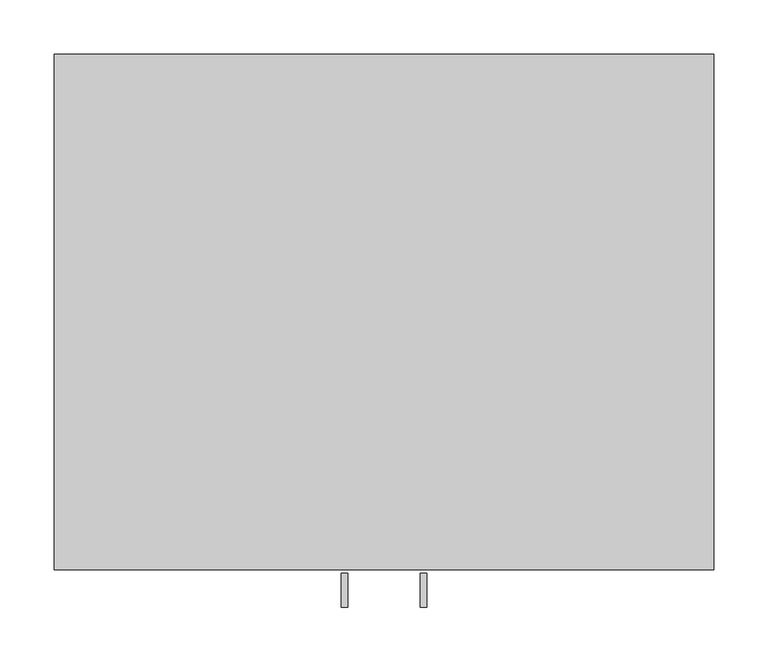
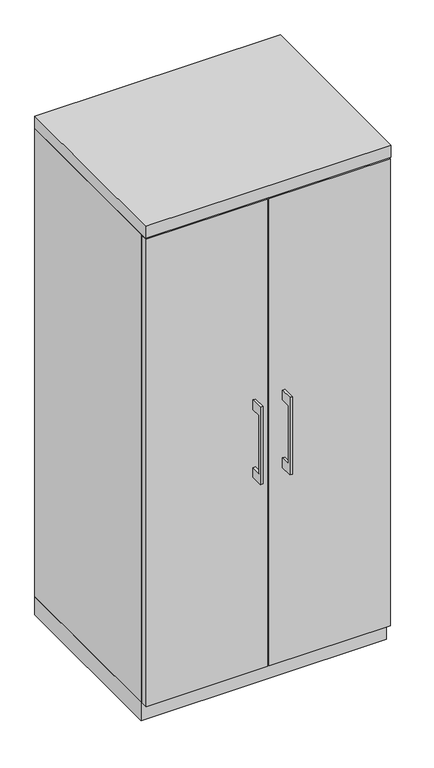
"""IFC4 building model written with IfcOpenShell, lengths in millimetres: furniture geometry."""

from ifc_helpers import new_model, si_unit, frame, origin, origin_with_axes, place, context, project, spatial, polyline, outline, extrude, source, transform, mapped, element, save


def furniture_4cf9cf71(model_context):
    return source(origin(), model_context, "Body", "SweptSolid", [
        extrude(outline(polyline([(-479.425, 736.6), (-504.8249758, 736.6), (-504.8249758, 584.2), (-479.425, 584.2), (-479.425, 558.8), (-511.1749879, 558.8), (-511.1749879, 762.0), (-479.425, 762.0), (-479.425, 736.6)])), frame((33.3375121, 0.0, 0.0), z_axis=(1.0, 0.0, 0.0), x_axis=(0.0, 1.0, 0.0)), (0.0, 0.0, 1.0), 6.3499758),
        extrude(outline(polyline([(1.5875, -476.25), (1.5875, -457.2), (303.2125, -457.2), (303.2125, -476.25), (1.5875, -476.25)])), frame((0.0, 0.0, 47.625), z_axis=(0.0, 0.0, 1.0), x_axis=(1.0, 0.0, 0.0)), (0.0, 0.0, 1.0), 1225.55),
        extrude(outline(polyline([(-479.425, 736.6), (-504.8249758, 736.6), (-504.8249758, 584.2), (-479.425, 584.2), (-479.425, 558.8), (-511.1749879, 558.8), (-511.1749879, 762.0), (-479.425, 762.0), (-479.425, 736.6)])), frame((-39.6874879, 0.0, 0.0), z_axis=(1.0, 0.0, 0.0), x_axis=(0.0, 1.0, 0.0)), (0.0, 0.0, 1.0), 6.3499758),
        extrude(outline(polyline([(-1.5875, -476.25), (-303.2125, -476.25), (-303.2125, -457.2), (-1.5875, -457.2), (-1.5875, -476.25)])), frame((0.0, 0.0, 47.625), z_axis=(0.0, 0.0, 1.0), x_axis=(1.0, 0.0, 0.0)), (0.0, 0.0, 1.0), 1225.55),
        extrude(outline(polyline([(304.8, 0.0), (304.8, -457.2), (-304.8, -457.2), (-304.8, 0.0), (304.8, 0.0)])), origin_with_axes(), (0.0, 0.0, 1.0), 47.625),
        extrude(outline(polyline([(304.8, 0.0), (304.8, -476.25), (-304.8, -476.25), (-304.8, 0.0), (304.8, 0.0)])), frame((0.0, 0.0, 1276.35), z_axis=(0.0, 0.0, 1.0), x_axis=(1.0, 0.0, 0.0)), (0.0, 0.0, 1.0), 31.75),
        extrude(outline(polyline([(304.8, 0.0), (304.8, -457.2), (285.75, -457.2), (285.75, -19.05), (9.525, -19.05), (9.525, -457.2), (-9.525, -457.2), (-9.525, -19.05), (-285.75, -19.05), (-285.75, -457.2), (-304.8, -457.2), (-304.8, 0.0), (304.8, 0.0)])), frame((0.0, 0.0, 47.625), z_axis=(0.0, 0.0, 1.0), x_axis=(1.0, 0.0, 0.0)), (0.0, 0.0, 1.0), 1228.725),
    ])


if __name__ == "__main__":
    model = new_model("IFC4")
    model_context = context("Model", 3, world=origin())
    ifc_project = project(units=[si_unit("LENGTHUNIT", "METRE", prefix="MILLI")], contexts=[model_context])
    site = spatial("IfcSite", under=ifc_project)
    building = spatial("IfcBuilding", under=site)
    placement = place(None, origin())
    furniture_shape = furniture_4cf9cf71(model_context)
    element("IfcFurniture", 1, at=placement, inside=building, context=model_context, shape_type="MappedRepresentation", body=[
        mapped(furniture_shape, transform((0.0, 0.0, 0.0), x_axis=(1.0, 0.0, 0.0), y_axis=(0.0, 1.0, 0.0), z_axis=(0.0, 0.0, 1.0))),
    ])
    save(model, "model.ifc")
